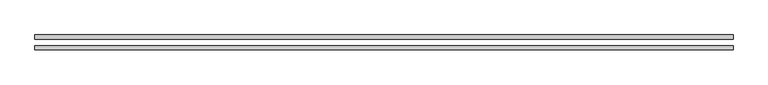
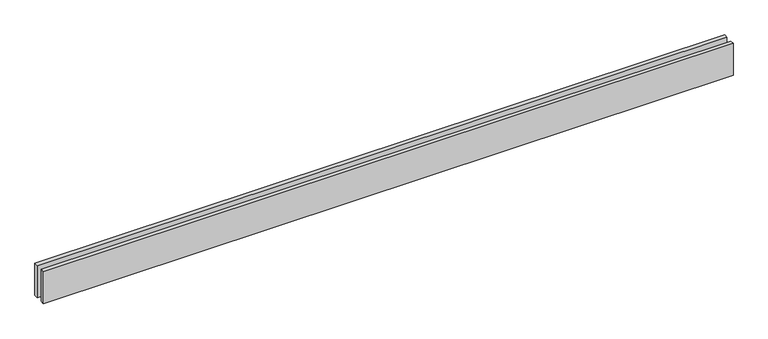
"""IFC4 building model written with IfcOpenShell, lengths in millimetres: proxy geometry."""

from ifc_helpers import new_model, si_unit, origin, origin_with_axes, place, context, project, spatial, polyline, outline, extrude, source, transform, mapped, element, save


def generic_models_e63699bb(model_context):
    return source(origin(), model_context, "Body", "SweptSolid", [
        extrude(outline(polyline([(5110.0, 25.0), (0.0, 25.0), (0.0, 55.0), (5110.0, 55.0), (5110.0, 25.0)])), origin_with_axes(), (0.0, 0.0, 1.0), 250.0),
        extrude(outline(polyline([(5110.0, -55.0), (0.0, -55.0), (0.0, -25.0), (5110.0, -25.0), (5110.0, -55.0)])), origin_with_axes(), (0.0, 0.0, 1.0), 250.0),
    ])


if __name__ == "__main__":
    model = new_model("IFC4")
    model_context = context("Model", 3, world=origin())
    ifc_project = project(units=[si_unit("LENGTHUNIT", "METRE", prefix="MILLI")], contexts=[model_context])
    site = spatial("IfcSite", under=ifc_project)
    building = spatial("IfcBuilding", under=site)
    placement = place(None, origin())
    generic_models_shape = generic_models_e63699bb(model_context)
    element("IfcBuildingElementProxy", 1, Name="Generic Models", at=placement, inside=building, context=model_context, shape_type="MappedRepresentation", body=[
        mapped(generic_models_shape, transform((0.0, 0.0, 0.0), x_axis=(1.0, 0.0, 0.0), y_axis=(0.0, 1.0, 0.0), z_axis=(0.0, 0.0, 1.0))),
    ])
    save(model, "model.ifc")
